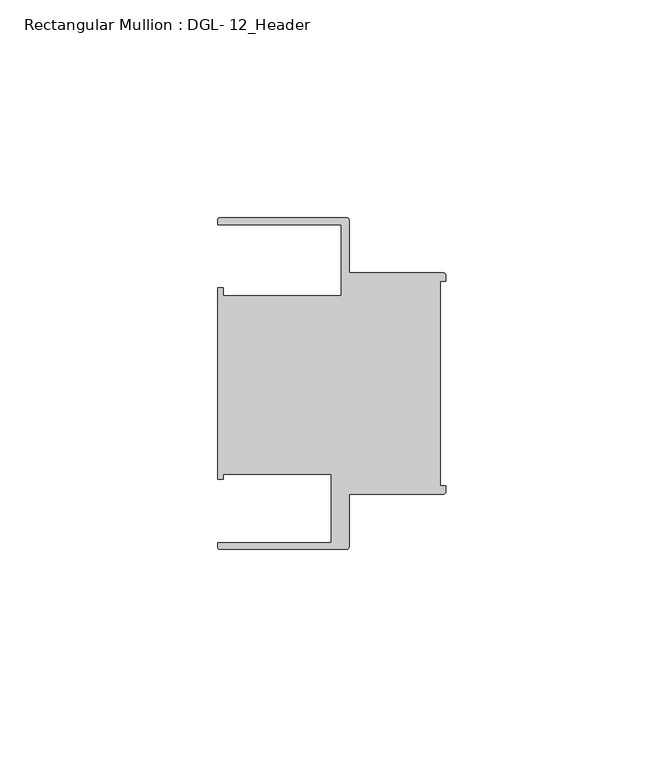
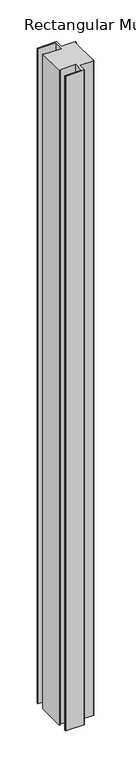
"""IFC4 building model written with IfcOpenShell, lengths in millimetres: member geometry, Rectangular Mullion : DGL- 12_Header."""

from ifc_helpers import new_model, si_unit, point, frame, frame_2d, origin, place, context, project, spatial, polyline, circle_curve, trimmed, segment, composite_curve, outline, extrude, source, transform, mapped, element, save


def rectangular_mullion_dgl_12_header_8f3a0fec(model_context):
    return source(origin(), model_context, "Body", "SweptSolid", [
        extrude(outline(composite_curve([segment(trimmed(circle_curve(frame_2d((-0.5953125, 24.8046875)), 0.5953125), [point((-0.5953125, 25.4))], [point((0.0, 24.8046875))], False, "CARTESIAN"), True, "CONTINUOUS"), segment(polyline([(0.0, 24.8046875), (0.0, 23.4882401), (-1.30175, 23.4882401), (-1.30175, -23.4882401), (0.0, -23.4882401), (0.0, -24.8046875)]), True, "CONTINUOUS"), segment(trimmed(circle_curve(frame_2d((-0.5953125, -24.8046875)), 0.5953125), [point((0.0, -24.8046875))], [point((-0.5953125, -25.4))], False, "CARTESIAN"), True, "CONTINUOUS"), segment(polyline([(-0.5953125, -25.4), (-22.2332076, -25.4), (-22.2332076, -37.5047035)]), True, "CONTINUOUS"), segment(trimmed(circle_curve(frame_2d((-22.8285201, -37.5047035)), 0.5953125), [point((-22.2332076, -37.5047035))], [point((-22.8285201, -38.100016))], False, "CARTESIAN"), True, "CONTINUOUS"), segment(polyline([(-22.8285201, -38.100016), (-51.7968699, -38.100016)]), True, "CONTINUOUS"), segment(trimmed(circle_curve(frame_2d((-51.7968699, -37.5047035)), 0.5953125), [point((-51.7968699, -38.100016))], [point((-52.3921824, -37.5047035))], False, "CARTESIAN"), True, "CONTINUOUS"), segment(polyline([(-52.3921824, -37.5047035), (-52.3921824, -36.512516), (-26.3720794, -36.512516), (-26.3720794, -20.8257348), (-51.1280305, -20.8257348), (-51.1280305, -21.9710976), (-52.3948122, -21.9710976), (-52.3948122, 21.9710976), (-51.1280305, 21.9710976), (-51.1280305, 20.1823589), (-24.0747075, 20.1823589), (-24.0747075, 36.5123462), (-52.3921824, 36.5123462), (-52.3921824, 37.5043667)]), True, "CONTINUOUS"), segment(trimmed(circle_curve(frame_2d((-51.7968699, 37.5043667)), 0.5953125), [point((-52.3921824, 37.5043667))], [point((-51.7968699, 38.0996792))], False, "CARTESIAN"), True, "CONTINUOUS"), segment(polyline([(-51.7968699, 38.0996792), (-22.8285201, 38.0996792)]), True, "CONTINUOUS"), segment(trimmed(circle_curve(frame_2d((-22.8285201, 37.5043667)), 0.5953125), [point((-22.8285201, 38.0996792))], [point((-22.2332076, 37.5043667))], False, "CARTESIAN"), True, "CONTINUOUS"), segment(polyline([(-22.2332076, 37.5043667), (-22.2332076, 25.4), (-0.5953125, 25.4)]), True, "CONTINUOUS")], self_intersect=False)), frame((0.0, 0.0, -1079.5), z_axis=(0.0, 0.0, 1.0), x_axis=(1.0, 0.0, 0.0)), (0.0, 0.0, 1.0), 1079.5),
    ])


if __name__ == "__main__":
    model = new_model("IFC4")
    model_context = context("Model", 3, world=origin())
    ifc_project = project(units=[si_unit("LENGTHUNIT", "METRE", prefix="MILLI")], contexts=[model_context])
    site = spatial("IfcSite", under=ifc_project)
    building = spatial("IfcBuilding", under=site)
    placement = place(None, origin())
    rectangular_mullion_dgl_12_header_shape = rectangular_mullion_dgl_12_header_8f3a0fec(model_context)
    element("IfcMember", 1, ObjectType="Rectangular Mullion : DGL- 12_Header", at=placement, inside=building, context=model_context, shape_type="MappedRepresentation", body=[
        mapped(rectangular_mullion_dgl_12_header_shape, transform((0.0, 0.0, 0.0), x_axis=(1.0, 0.0, 0.0), y_axis=(0.0, 1.0, 0.0), z_axis=(0.0, 0.0, 1.0))),
    ])
    save(model, "model.ifc")
